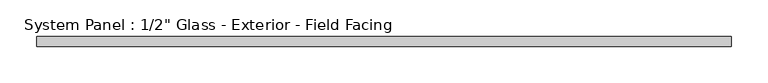
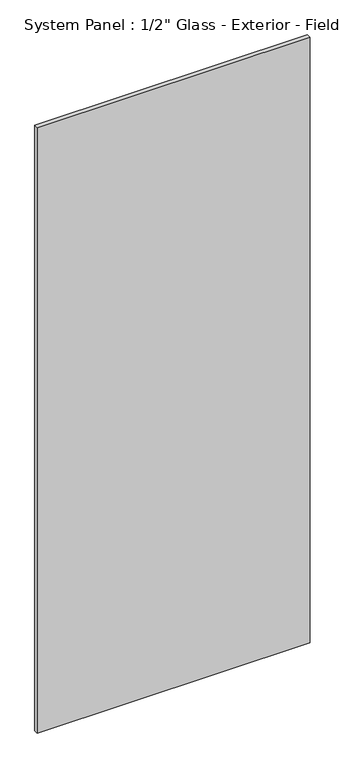
"""IFC4 building model written with IfcOpenShell, lengths in millimetres: plate geometry."""

from ifc_helpers import new_model, si_unit, origin, origin_with_axes, place, context, project, spatial, polyline, outline, extrude, source, transform, mapped, element, save


def plate_d8eec48d(model_context):
    return source(origin(), model_context, "Body", "SweptSolid", [
        extrude(outline(polyline([(474.1350564, -11.55), (-474.1350564, -11.55), (-474.1350564, 1.95), (474.1350564, 1.95), (474.1350564, -11.55)])), origin_with_axes(), (0.0, 0.0, 1.0), 2223.15),
    ])


if __name__ == "__main__":
    model = new_model("IFC4")
    model_context = context("Model", 3, world=origin())
    ifc_project = project(units=[si_unit("LENGTHUNIT", "METRE", prefix="MILLI")], contexts=[model_context])
    site = spatial("IfcSite", under=ifc_project)
    building = spatial("IfcBuilding", under=site)
    placement = place(None, origin())
    plate_shape = plate_d8eec48d(model_context)
    element("IfcPlate", 1, ObjectType="System Panel : 1/2\" Glass - Exterior - Field Facing", at=placement, inside=building, context=model_context, shape_type="MappedRepresentation", body=[
        mapped(plate_shape, transform((0.0, 0.0, 0.0), x_axis=(1.0, 0.0, 0.0), y_axis=(0.0, 1.0, 0.0), z_axis=(0.0, 0.0, 1.0))),
    ])
    save(model, "model.ifc")
